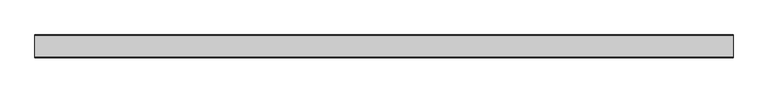
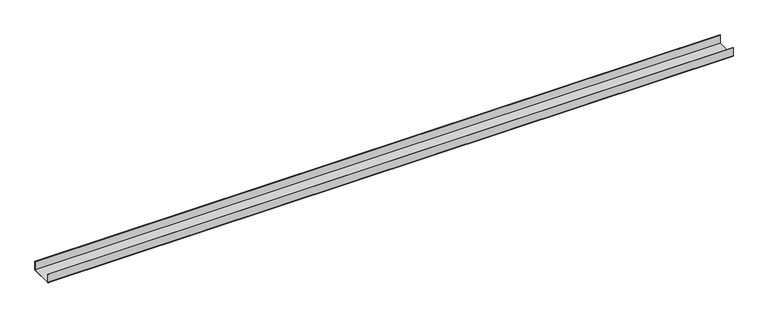
"""IFC4 building model written with IfcOpenShell, lengths in millimetres: proxy geometry."""

from ifc_helpers import new_model, si_unit, point, frame, frame_2d, origin, place, context, project, spatial, polyline, circle_curve, trimmed, segment, composite_curve, outline, extrude, source, transform, mapped, element, save


def generic_models_b68191e1(model_context):
    return source(origin(), model_context, "Body", "SweptSolid", [
        extrude(outline(composite_curve([segment(polyline([(-50.5, 2.0), (-50.5, 40.0), (-48.5, 40.0), (-48.5, 2.0), (48.5, 2.0), (48.5, 40.0), (50.5, 40.0), (50.5, 2.0)]), True, "CONTINUOUS"), segment(trimmed(circle_curve(frame_2d((48.5, 2.0)), 2.0), [point((50.5, 2.0))], [point((48.5, 0.0))], False, "CARTESIAN"), True, "CONTINUOUS"), segment(polyline([(48.5, 0.0), (-48.5, 0.0)]), True, "CONTINUOUS"), segment(trimmed(circle_curve(frame_2d((-48.5, 2.0)), 2.0), [point((-48.5, 0.0))], [point((-50.5, 2.0))], False, "CARTESIAN"), True, "CONTINUOUS")], self_intersect=False)), frame((0.0, 0.0, 0.0), z_axis=(1.0, 0.0, 0.0), x_axis=(0.0, 1.0, 0.0)), (0.0, 0.0, 1.0), 3061.3329484),
    ])


if __name__ == "__main__":
    model = new_model("IFC4")
    model_context = context("Model", 3, world=origin())
    ifc_project = project(units=[si_unit("LENGTHUNIT", "METRE", prefix="MILLI")], contexts=[model_context])
    site = spatial("IfcSite", under=ifc_project)
    building = spatial("IfcBuilding", under=site)
    placement = place(None, origin())
    generic_models_shape = generic_models_b68191e1(model_context)
    element("IfcBuildingElementProxy", 1, Name="Generic Models", at=placement, inside=building, context=model_context, shape_type="MappedRepresentation", body=[
        mapped(generic_models_shape, transform((0.0, 0.0, 0.0), x_axis=(1.0, 0.0, 0.0), y_axis=(0.0, 1.0, 0.0), z_axis=(0.0, 0.0, 1.0))),
    ])
    save(model, "model.ifc")
